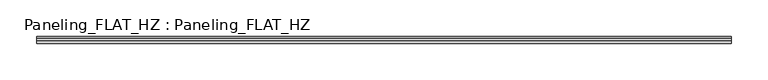
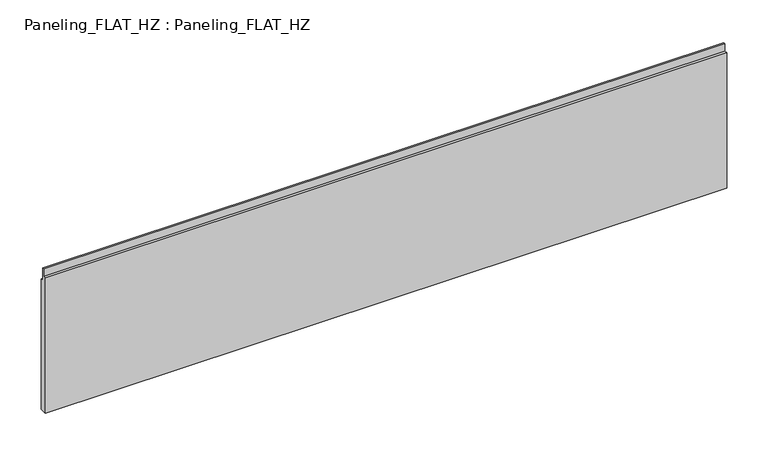
"""IFC4 building model written with IfcOpenShell, lengths in millimetres: plate geometry, Paneling_FLAT_HZ : Paneling_FLAT_HZ."""

import ifcopenshell
import ifcopenshell.guid

model = None  # the IFC model being written
_history = None  # IfcOwnerHistory: only IFC2X3 demands one
_inside = {}  # id of a spatial element -> (the spatial element, [elements in it])
_under = {}  # id of a project, library or spatial element -> (it, [spatial elements below it])
_declared = {}  # id of a project -> (the project, [libraries it declares])
_typed = {}  # id of a type object -> (the type object, [elements of that type])
_made_of = {}  # id of a material, layer set ... -> (it, [elements and type objects made of it])


def new_model(schema):
    """Start an empty IFC model of exactly this schema.

    Asked for "IFC4X3", IfcOpenShell would pick the latest addendum, in which some entities
    have other attributes; the version numbers below select the first issue.
    IFC2X3 requires an IfcOwnerHistory on every rooted entity: one is made here for all.
    """
    global model, _history
    if schema == "IFC4X3":
        model = ifcopenshell.file(schema_version=(4, 3, 0, 0))
    else:
        model = ifcopenshell.file(schema=schema)
    _inside.clear()
    _under.clear()
    _declared.clear()
    _typed.clear()
    _made_of.clear()
    _history = None
    if model.schema == "IFC2X3":
        org = make("IfcOrganization", Name="unknown")
        user = make(
            "IfcPersonAndOrganization",
            ThePerson=make("IfcPerson", FamilyName="unknown"),
            TheOrganization=org,
        )
        app = make(
            "IfcApplication",
            ApplicationDeveloper=org,
            Version="unknown",
            ApplicationFullName="unknown",
            ApplicationIdentifier="unknown",
        )
        _history = make(
            "IfcOwnerHistory",
            OwningUser=user,
            OwningApplication=app,
            ChangeAction="ADDED",
            CreationDate=0,
        )
    return model


def make(cls, **values):
    """One entity of the class cls with the attributes given. An attribute that is None is left unset."""
    return model.create_entity(
        cls, **{name: value for name, value in values.items() if value is not None}
    )


def rooted(cls, **values):
    """An entity with a GlobalId (a new one), such as an element, a storey or a relation."""
    return make(cls, GlobalId=ifcopenshell.guid.new(), OwnerHistory=_history, **values)


def si_unit(unit_type, name, prefix=None):
    """IfcSIUnit, for example si_unit("LENGTHUNIT", "METRE", prefix="MILLI")."""
    return make("IfcSIUnit", UnitType=unit_type, Prefix=prefix, Name=name)


def assignment(units):
    """IfcUnitAssignment: the units of a project."""
    return None if units is None else make("IfcUnitAssignment", Units=units)


def point(xyz):
    """IfcCartesianPoint."""
    return None if xyz is None else make("IfcCartesianPoint", Coordinates=xyz)


def direction(xyz):
    """IfcDirection."""
    return None if xyz is None else make("IfcDirection", DirectionRatios=xyz)


def frame(location, z_axis=None, x_axis=None):
    """IfcAxis2Placement3D, a coordinate frame: its origin and axes. An axis left out is left unset."""
    return make(
        "IfcAxis2Placement3D",
        Location=point(location),
        Axis=direction(z_axis),
        RefDirection=direction(x_axis),
    )


def origin():
    """The frame at (0, 0, 0) with its axes left unset."""
    return frame((0.0, 0.0, 0.0))


def place(relative_to, where):
    """IfcLocalPlacement: puts the frame where relative to a parent placement (None: the world)."""
    return make(
        "IfcLocalPlacement", PlacementRelTo=relative_to, RelativePlacement=where
    )


def context(
    kind, dimensions, precision=None, world=None, true_north=None, identifier=None
):
    """IfcGeometricRepresentationContext, for example the 3D "Model" context."""
    return make(
        "IfcGeometricRepresentationContext",
        ContextIdentifier=identifier,
        ContextType=kind,
        CoordinateSpaceDimension=dimensions,
        Precision=precision,
        WorldCoordinateSystem=world,
        TrueNorth=true_north,
    )


def project(units=None, contexts=None):
    """IfcProject with its units and contexts."""
    return rooted(
        "IfcProject",
        Name="project",
        RepresentationContexts=contexts,
        UnitsInContext=assignment(units),
    )


def spatial(cls, under=None, at=None, **own):
    """A site, building, storey or space (cls), placed at a placement, below another one or the project."""
    s = rooted(cls, ObjectPlacement=at, **own)
    if under is not None:
        _under.setdefault(under.id(), (under, []))[1].append(s)
    return s


def polyline(points):
    """IfcPolyline through the points."""
    return make("IfcPolyline", Points=[point(p) for p in points])


def outline(outer, holes=None, kind="AREA"):
    """IfcArbitraryClosedProfileDef: a profile drawn as a closed curve; with holes, ...WithVoids."""
    if holes is None:
        return make("IfcArbitraryClosedProfileDef", ProfileType=kind, OuterCurve=outer)
    return make(
        "IfcArbitraryProfileDefWithVoids",
        ProfileType=kind,
        OuterCurve=outer,
        InnerCurves=holes,
    )


def extrude(swept, where, along, depth):
    """IfcExtrudedAreaSolid: the profile swept, set in the frame where, extruded along a direction by depth."""
    return make(
        "IfcExtrudedAreaSolid",
        SweptArea=swept,
        Position=where,
        ExtrudedDirection=direction(along),
        Depth=depth,
    )


def shape(context_of_items, identifier, shape_type, items):
    """IfcShapeRepresentation: the items that make up one representation, for example the "Body"."""
    return make(
        "IfcShapeRepresentation",
        ContextOfItems=context_of_items,
        RepresentationIdentifier=identifier,
        RepresentationType=shape_type,
        Items=items,
    )


def source(mapping_origin, context_of_items, identifier, shape_type, items):
    """IfcRepresentationMap: a shape defined once, which mapped items show again and again."""
    return make(
        "IfcRepresentationMap",
        MappingOrigin=mapping_origin,
        MappedRepresentation=shape(context_of_items, identifier, shape_type, items),
    )


def transform(
    local_origin,
    x_axis=None,
    y_axis=None,
    z_axis=None,
    scale=None,
    scale2=None,
    scale3=None,
    uniform=True,
):
    """IfcCartesianTransformationOperator3D, or its non-uniform kind. x_axis, y_axis, z_axis: its Axis1, 2, 3."""
    if uniform:
        return make(
            "IfcCartesianTransformationOperator3D",
            Axis1=direction(x_axis),
            Axis2=direction(y_axis),
            LocalOrigin=point(local_origin),
            Scale=scale,
            Axis3=direction(z_axis),
        )
    return make(
        "IfcCartesianTransformationOperator3DnonUniform",
        Axis1=direction(x_axis),
        Axis2=direction(y_axis),
        LocalOrigin=point(local_origin),
        Scale=scale,
        Axis3=direction(z_axis),
        Scale2=scale2,
        Scale3=scale3,
    )


def mapped(mapping_source, mapping_target):
    """IfcMappedItem: shows the shape of a source again, moved by a transform."""
    return make(
        "IfcMappedItem", MappingSource=mapping_source, MappingTarget=mapping_target
    )


def made_of(thing, what):
    """Note that an element or type object is made of a material, layer set ...; save() writes the relation."""
    if what is not None:
        _made_of.setdefault(what.id(), (what, []))[1].append(thing)
    return thing


def element(
    cls,
    number,
    at=None,
    inside=None,
    cuts=None,
    type_object=None,
    material=None,
    context=None,
    identifier="Body",
    shape_type=None,
    held_by="IfcProductDefinitionShape",
    body=None,
    shapes=None,
    **own,
):
    """One element of the class cls, such as IfcWall. Its Tag is "e" and its number.

    at: its placement. inside: the storey or other place that contains it. cuts: it is an
    opening in that element (IfcRelVoidsElement). A single representation is given by context,
    identifier, shape_type and body (its items); several are given by shapes. held_by: the class
    of the entity that holds the representations. save() writes the other relations.
    """
    e = rooted(cls, Tag="e%d" % number, ObjectPlacement=at, **own)
    if body is not None:
        shapes = [shape(context, identifier, shape_type, body)]
    if shapes is not None:
        e.Representation = make(held_by, Representations=shapes)
    if inside is not None:
        _inside.setdefault(inside.id(), (inside, []))[1].append(e)
    if cuts is not None:
        rooted(
            "IfcRelVoidsElement", RelatingBuildingElement=cuts, RelatedOpeningElement=e
        )
    if type_object is not None:
        _typed.setdefault(type_object.id(), (type_object, []))[1].append(e)
    return made_of(e, material)


def aggregate(whole, parts):
    """IfcRelAggregates: a whole, such as a stair, and the parts it consists of."""
    return rooted("IfcRelAggregates", RelatingObject=whole, RelatedObjects=parts)


def save(model, path):
    """Write the relations noted so far, then the file.

    IfcRelAggregates (storeys below a building ...), IfcRelContainedInSpatialStructure (elements
    in a storey), IfcRelDefinesByType, IfcRelAssociatesMaterial and IfcRelDeclares: one each for
    every whole, place, type object, material and project.
    """
    for whole, parts in _under.values():
        aggregate(whole, parts)
    for where, things in _inside.values():
        rooted(
            "IfcRelContainedInSpatialStructure",
            RelatedElements=things,
            RelatingStructure=where,
        )
    for kind, things in _typed.values():
        rooted("IfcRelDefinesByType", RelatedObjects=things, RelatingType=kind)
    for what, things in _made_of.values():
        rooted("IfcRelAssociatesMaterial", RelatedObjects=things, RelatingMaterial=what)
    for by, libraries in _declared.values():
        rooted("IfcRelDeclares", RelatingContext=by, RelatedDefinitions=libraries)
    model.write(path)


def paneling_flat_hz_paneling_flat_hz_c230c5ba(model_context):
    return source(origin(), model_context, "Body", "SweptSolid", [
        extrude(outline(polyline([(5.0, 0.0), (-5.0, 0.0), (-5.0, 200.0), (-1.0, 200.0), (-1.0, 211.0), (2.0, 211.0), (2.0, 193.0), (5.0, 193.0), (5.0, 0.0)])), frame((-475.5, 0.0, 0.0), z_axis=(1.0, 0.0, 0.0), x_axis=(0.0, 1.0, 0.0)), (0.0, 0.0, 1.0), 951.0),
    ])


if __name__ == "__main__":
    model = new_model("IFC4")
    model_context = context("Model", 3, world=origin())
    ifc_project = project(units=[si_unit("LENGTHUNIT", "METRE", prefix="MILLI")], contexts=[model_context])
    site = spatial("IfcSite", under=ifc_project)
    building = spatial("IfcBuilding", under=site)
    placement = place(None, origin())
    paneling_flat_hz_paneling_flat_hz_shape = paneling_flat_hz_paneling_flat_hz_c230c5ba(model_context)
    element("IfcPlate", 1, ObjectType="Paneling_FLAT_HZ : Paneling_FLAT_HZ", at=placement, inside=building, context=model_context, shape_type="MappedRepresentation", body=[
        mapped(paneling_flat_hz_paneling_flat_hz_shape, transform((0.0, 0.0, 0.0), x_axis=(1.0, 0.0, 0.0), y_axis=(0.0, 1.0, 0.0), z_axis=(0.0, 0.0, 1.0))),
    ])
    save(model, "model.ifc")
